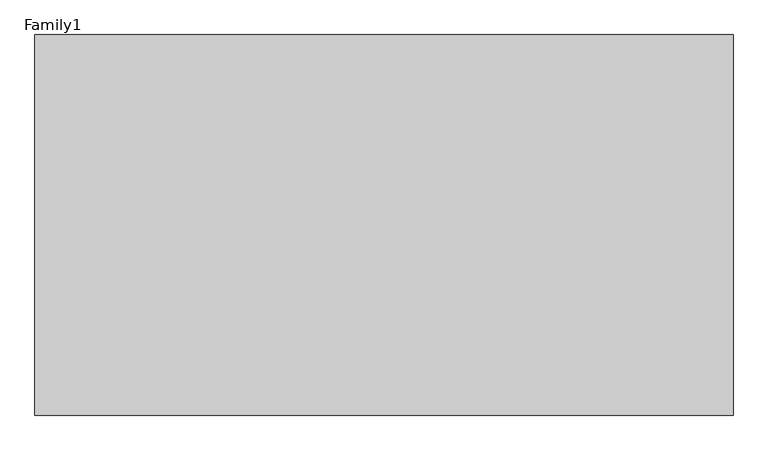
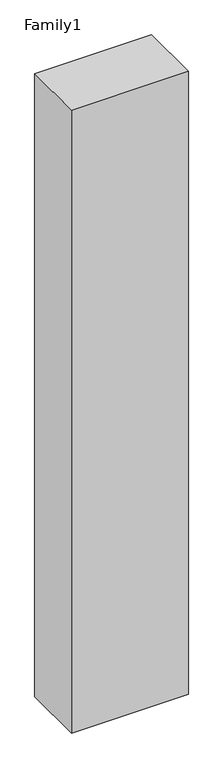
"""IFC4 building model written with IfcOpenShell, lengths in millimetres: proxy geometry, Family1."""

from ifc_helpers import new_model, si_unit, origin, origin_with_axes, place, context, project, spatial, polyline, outline, extrude, source, transform, mapped, element, save


def family1_e73b99d9(model_context):
    return source(origin(), model_context, "Body", "SweptSolid", [
        extrude(outline(polyline([(5500.0, 0.0), (0.0, 0.0), (0.0, 3000.0), (5500.0, 3000.0), (5500.0, 0.0)])), origin_with_axes(), (0.0, 0.0, 1.0), 31000.0),
    ])


if __name__ == "__main__":
    model = new_model("IFC4")
    model_context = context("Model", 3, world=origin())
    ifc_project = project(units=[si_unit("LENGTHUNIT", "METRE", prefix="MILLI")], contexts=[model_context])
    site = spatial("IfcSite", under=ifc_project)
    building = spatial("IfcBuilding", under=site)
    placement = place(None, origin())
    family1_shape = family1_e73b99d9(model_context)
    element("IfcBuildingElementProxy", 1, Name="Family1", ObjectType="Family1", at=placement, inside=building, context=model_context, shape_type="MappedRepresentation", body=[
        mapped(family1_shape, transform((0.0, 0.0, 0.0), x_axis=(1.0, 0.0, 0.0), y_axis=(0.0, 1.0, 0.0), z_axis=(0.0, 0.0, 1.0))),
    ])
    save(model, "model.ifc")
